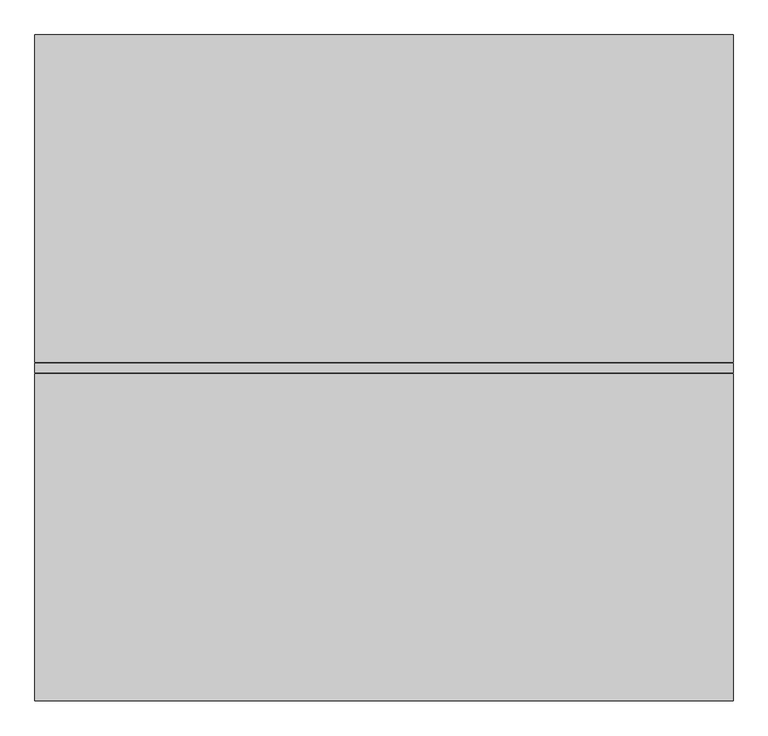
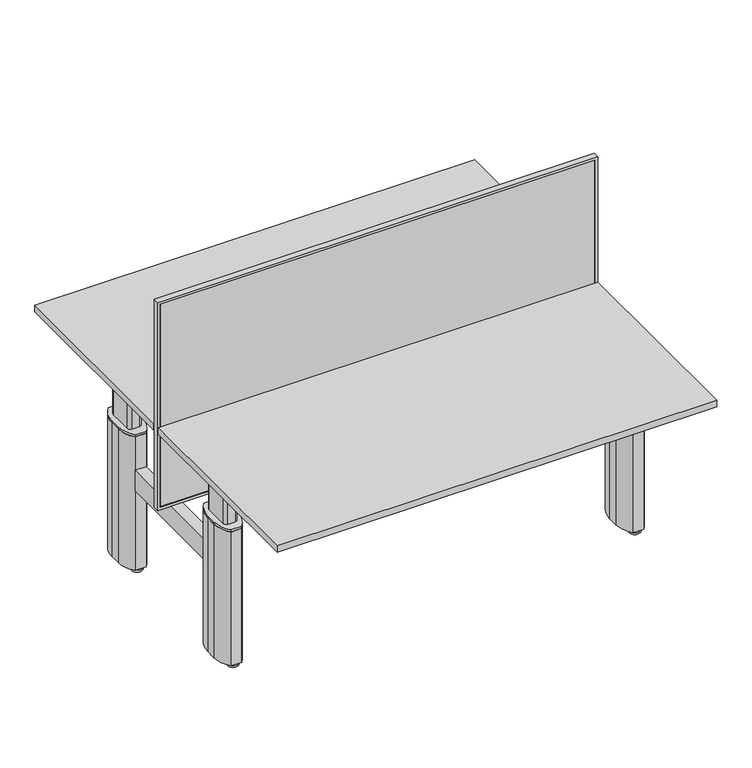
"""IFC4 building model written with IfcOpenShell, lengths in millimetres: furniture geometry."""

from ifc_helpers import new_model, si_unit, point, frame, frame_2d, origin, origin_with_axes, place, context, project, spatial, polyline, circle_curve, trimmed, segment, composite_curve, outline, extrude, source, transform, mapped, element, save


def furniture_1721514f(model_context):
    return source(origin(), model_context, "Body", "SweptSolid", [
        extrude(outline(polyline([(-10.0, -8.0), (-1590.0, -8.0), (-1590.0, 8.0), (-10.0, 8.0), (-10.0, -8.0)])), frame((0.0, 0.0, 410.0), z_axis=(0.0, 0.0, 1.0), x_axis=(1.0, 0.0, 0.0)), (0.0, 0.0, 1.0), 780.0),
        extrude(outline(polyline([(1200.0, 0.0), (1200.0, -1600.0), (400.0, -1600.0), (400.0, 0.0), (1200.0, 0.0)]), holes=[polyline([(1190.0, -10.0), (410.0, -10.0), (410.0, -1590.0), (1190.0, -1590.0), (1190.0, -10.0)])]), frame((0.0, -11.0, 0.0), z_axis=(0.0, 1.0, 0.0), x_axis=(0.0, 0.0, 1.0)), (0.0, 0.0, 1.0), 22.0),
        extrude(outline(composite_curve([segment(trimmed(circle_curve(frame_2d((-1531.0, 365.0)), 11.0), [point((-1520.0, 365.0))], [point((-1542.0, 365.0))], False, "CARTESIAN"), True, "CONTINUOUS"), segment(trimmed(circle_curve(frame_2d((-1531.0, 365.0)), 11.0), [point((-1542.0, 365.0))], [point((-1520.0, 365.0))], False, "CARTESIAN"), True, "CONTINUOUS")], self_intersect=False)), frame((0.0, 0.0, 7.0), z_axis=(0.0, 0.0, 1.0), x_axis=(1.0, 0.0, 0.0)), (0.0, 0.0, 1.0), 7.0),
        extrude(outline(composite_curve([segment(trimmed(circle_curve(frame_2d((-1531.0, 239.0)), 11.0), [point((-1520.0, 239.0))], [point((-1542.0, 239.0))], False, "CARTESIAN"), True, "CONTINUOUS"), segment(trimmed(circle_curve(frame_2d((-1531.0, 239.0)), 11.0), [point((-1542.0, 239.0))], [point((-1520.0, 239.0))], False, "CARTESIAN"), True, "CONTINUOUS")], self_intersect=False)), frame((0.0, 0.0, 7.0), z_axis=(0.0, 0.0, 1.0), x_axis=(1.0, 0.0, 0.0)), (0.0, 0.0, 1.0), 7.0),
        extrude(outline(composite_curve([segment(trimmed(circle_curve(frame_2d((-69.0, 365.0)), 11.0), [point((-58.0, 365.0))], [point((-80.0, 365.0))], False, "CARTESIAN"), True, "CONTINUOUS"), segment(trimmed(circle_curve(frame_2d((-69.0, 365.0)), 11.0), [point((-80.0, 365.0))], [point((-58.0, 365.0))], False, "CARTESIAN"), True, "CONTINUOUS")], self_intersect=False)), frame((0.0, 0.0, 7.0), z_axis=(0.0, 0.0, 1.0), x_axis=(1.0, 0.0, 0.0)), (0.0, 0.0, 1.0), 7.0),
        extrude(outline(composite_curve([segment(trimmed(circle_curve(frame_2d((-69.0, 239.0)), 11.0), [point((-58.0, 239.0))], [point((-80.0, 239.0))], False, "CARTESIAN"), True, "CONTINUOUS"), segment(trimmed(circle_curve(frame_2d((-69.0, 239.0)), 11.0), [point((-80.0, 239.0))], [point((-58.0, 239.0))], False, "CARTESIAN"), True, "CONTINUOUS")], self_intersect=False)), frame((0.0, 0.0, 7.0), z_axis=(0.0, 0.0, 1.0), x_axis=(1.0, 0.0, 0.0)), (0.0, 0.0, 1.0), 7.0),
        extrude(outline(composite_curve([segment(trimmed(circle_curve(frame_2d((-1531.0, -239.0)), 11.0), [point((-1520.0, -239.0))], [point((-1542.0, -239.0))], False, "CARTESIAN"), True, "CONTINUOUS"), segment(trimmed(circle_curve(frame_2d((-1531.0, -239.0)), 11.0), [point((-1542.0, -239.0))], [point((-1520.0, -239.0))], False, "CARTESIAN"), True, "CONTINUOUS")], self_intersect=False)), frame((0.0, 0.0, 7.0), z_axis=(0.0, 0.0, 1.0), x_axis=(1.0, 0.0, 0.0)), (0.0, 0.0, 1.0), 7.0),
        extrude(outline(composite_curve([segment(trimmed(circle_curve(frame_2d((-1531.0, -365.0)), 11.0), [point((-1520.0, -365.0))], [point((-1542.0, -365.0))], False, "CARTESIAN"), True, "CONTINUOUS"), segment(trimmed(circle_curve(frame_2d((-1531.0, -365.0)), 11.0), [point((-1542.0, -365.0))], [point((-1520.0, -365.0))], False, "CARTESIAN"), True, "CONTINUOUS")], self_intersect=False)), frame((0.0, 0.0, 7.0), z_axis=(0.0, 0.0, 1.0), x_axis=(1.0, 0.0, 0.0)), (0.0, 0.0, 1.0), 7.0),
        extrude(outline(composite_curve([segment(trimmed(circle_curve(frame_2d((-69.0, -239.0)), 11.0), [point((-58.0, -239.0))], [point((-80.0, -239.0))], False, "CARTESIAN"), True, "CONTINUOUS"), segment(trimmed(circle_curve(frame_2d((-69.0, -239.0)), 11.0), [point((-80.0, -239.0))], [point((-58.0, -239.0))], False, "CARTESIAN"), True, "CONTINUOUS")], self_intersect=False)), frame((0.0, 0.0, 7.0), z_axis=(0.0, 0.0, 1.0), x_axis=(1.0, 0.0, 0.0)), (0.0, 0.0, 1.0), 7.0),
        extrude(outline(composite_curve([segment(trimmed(circle_curve(frame_2d((-69.0, -365.0)), 11.0), [point((-58.0, -365.0))], [point((-80.0, -365.0))], False, "CARTESIAN"), True, "CONTINUOUS"), segment(trimmed(circle_curve(frame_2d((-69.0, -365.0)), 11.0), [point((-80.0, -365.0))], [point((-58.0, -365.0))], False, "CARTESIAN"), True, "CONTINUOUS")], self_intersect=False)), frame((0.0, 0.0, 7.0), z_axis=(0.0, 0.0, 1.0), x_axis=(1.0, 0.0, 0.0)), (0.0, 0.0, 1.0), 7.0),
        extrude(outline(composite_curve([segment(trimmed(circle_curve(frame_2d((-1531.0, 365.0)), 19.0), [point((-1550.0, 365.0))], [point((-1512.0, 365.0))], False, "CARTESIAN"), True, "CONTINUOUS"), segment(trimmed(circle_curve(frame_2d((-1531.0, 365.0)), 19.0), [point((-1512.0, 365.0))], [point((-1550.0, 365.0))], False, "CARTESIAN"), True, "CONTINUOUS")], self_intersect=False)), origin_with_axes(), (0.0, 0.0, 1.0), 7.0),
        extrude(outline(composite_curve([segment(trimmed(circle_curve(frame_2d((-1531.0, 239.0)), 19.0), [point((-1550.0, 239.0))], [point((-1512.0, 239.0))], False, "CARTESIAN"), True, "CONTINUOUS"), segment(trimmed(circle_curve(frame_2d((-1531.0, 239.0)), 19.0), [point((-1512.0, 239.0))], [point((-1550.0, 239.0))], False, "CARTESIAN"), True, "CONTINUOUS")], self_intersect=False)), origin_with_axes(), (0.0, 0.0, 1.0), 7.0),
        extrude(outline(composite_curve([segment(trimmed(circle_curve(frame_2d((-1531.0, -239.0)), 19.0), [point((-1550.0, -239.0))], [point((-1512.0, -239.0))], False, "CARTESIAN"), True, "CONTINUOUS"), segment(trimmed(circle_curve(frame_2d((-1531.0, -239.0)), 19.0), [point((-1512.0, -239.0))], [point((-1550.0, -239.0))], False, "CARTESIAN"), True, "CONTINUOUS")], self_intersect=False)), origin_with_axes(), (0.0, 0.0, 1.0), 7.0),
        extrude(outline(composite_curve([segment(trimmed(circle_curve(frame_2d((-1531.0, -365.0)), 19.0), [point((-1550.0, -365.0))], [point((-1512.0, -365.0))], False, "CARTESIAN"), True, "CONTINUOUS"), segment(trimmed(circle_curve(frame_2d((-1531.0, -365.0)), 19.0), [point((-1512.0, -365.0))], [point((-1550.0, -365.0))], False, "CARTESIAN"), True, "CONTINUOUS")], self_intersect=False)), origin_with_axes(), (0.0, 0.0, 1.0), 7.0),
        extrude(outline(composite_curve([segment(trimmed(circle_curve(frame_2d((-69.0, -365.0)), 20.0), [point((-89.0, -365.0))], [point((-49.0, -365.0))], False, "CARTESIAN"), True, "CONTINUOUS"), segment(trimmed(circle_curve(frame_2d((-69.0, -365.0)), 20.0), [point((-49.0, -365.0))], [point((-89.0, -365.0))], False, "CARTESIAN"), True, "CONTINUOUS")], self_intersect=False)), origin_with_axes(), (0.0, 0.0, 1.0), 7.0),
        extrude(outline(composite_curve([segment(trimmed(circle_curve(frame_2d((-69.0, -239.0)), 20.0), [point((-89.0, -239.0))], [point((-49.0, -239.0))], False, "CARTESIAN"), True, "CONTINUOUS"), segment(trimmed(circle_curve(frame_2d((-69.0, -239.0)), 20.0), [point((-49.0, -239.0))], [point((-89.0, -239.0))], False, "CARTESIAN"), True, "CONTINUOUS")], self_intersect=False)), origin_with_axes(), (0.0, 0.0, 1.0), 7.0),
        extrude(outline(composite_curve([segment(trimmed(circle_curve(frame_2d((-69.0, 239.0)), 19.0), [point((-88.0, 239.0))], [point((-50.0, 239.0))], False, "CARTESIAN"), True, "CONTINUOUS"), segment(trimmed(circle_curve(frame_2d((-69.0, 239.0)), 19.0), [point((-50.0, 239.0))], [point((-88.0, 239.0))], False, "CARTESIAN"), True, "CONTINUOUS")], self_intersect=False)), origin_with_axes(), (0.0, 0.0, 1.0), 7.0),
        extrude(outline(composite_curve([segment(trimmed(circle_curve(frame_2d((-69.0, 365.0)), 19.0), [point((-88.0, 365.0))], [point((-50.0, 365.0))], False, "CARTESIAN"), True, "CONTINUOUS"), segment(trimmed(circle_curve(frame_2d((-69.0, 365.0)), 19.0), [point((-50.0, 365.0))], [point((-88.0, 365.0))], False, "CARTESIAN"), True, "CONTINUOUS")], self_intersect=False)), origin_with_axes(), (0.0, 0.0, 1.0), 7.0),
        extrude(outline(polyline([(-1511.0, 217.0), (-1511.0, -217.0), (-1551.0, -217.0), (-1551.0, 217.0), (-1511.0, 217.0)])), frame((0.0, 0.0, 320.0), z_axis=(0.0, 0.0, 1.0), x_axis=(1.0, 0.0, 0.0)), (0.0, 0.0, 1.0), 80.0),
        extrude(outline(polyline([(-89.0, 217.0), (-49.0, 217.0), (-49.0, -217.0), (-89.0, -217.0), (-89.0, 217.0)])), frame((0.0, 0.0, 320.0), z_axis=(0.0, 0.0, 1.0), x_axis=(1.0, 0.0, 0.0)), (0.0, 0.0, 1.0), 80.0),
        extrude(outline(composite_curve([segment(trimmed(circle_curve(frame_2d((-1587.0208333, 322.0)), 100.0208333), [point((-1511.0, 387.0))], [point((-1487.0, 322.0))], False, "CARTESIAN"), True, "CONTINUOUS"), segment(polyline([(-1487.0, 322.0), (-1487.0, 282.0)]), True, "CONTINUOUS"), segment(trimmed(circle_curve(frame_2d((-1587.0208333, 282.0)), 100.0208333), [point((-1487.0, 282.0))], [point((-1511.0, 217.0))], False, "CARTESIAN"), True, "CONTINUOUS"), segment(polyline([(-1511.0, 217.0), (-1551.0, 217.0)]), True, "CONTINUOUS"), segment(trimmed(circle_curve(frame_2d((-1474.9791667, 282.0)), 100.0208333), [point((-1551.0, 217.0))], [point((-1575.0, 282.0))], False, "CARTESIAN"), True, "CONTINUOUS"), segment(polyline([(-1575.0, 282.0), (-1575.0, 322.0)]), True, "CONTINUOUS"), segment(trimmed(circle_curve(frame_2d((-1474.9791667, 322.0)), 100.0208333), [point((-1575.0, 322.0))], [point((-1551.0, 387.0))], False, "CARTESIAN"), True, "CONTINUOUS"), segment(polyline([(-1551.0, 387.0), (-1511.0, 387.0)]), True, "CONTINUOUS")], self_intersect=False)), frame((0.0, 0.0, 14.0), z_axis=(0.0, 0.0, 1.0), x_axis=(1.0, 0.0, 0.0)), (0.0, 0.0, 1.0), 514.0),
        extrude(outline(composite_curve([segment(trimmed(circle_curve(frame_2d((-125.0208333, 322.0)), 100.0208333), [point((-49.0, 387.0))], [point((-25.0, 322.0))], False, "CARTESIAN"), True, "CONTINUOUS"), segment(polyline([(-25.0, 322.0), (-25.0, 282.0)]), True, "CONTINUOUS"), segment(trimmed(circle_curve(frame_2d((-125.0208333, 282.0)), 100.0208333), [point((-25.0, 282.0))], [point((-49.0, 217.0))], False, "CARTESIAN"), True, "CONTINUOUS"), segment(polyline([(-49.0, 217.0), (-89.0, 217.0)]), True, "CONTINUOUS"), segment(trimmed(circle_curve(frame_2d((-12.9791667, 282.0)), 100.0208333), [point((-89.0, 217.0))], [point((-113.0, 282.0))], False, "CARTESIAN"), True, "CONTINUOUS"), segment(polyline([(-113.0, 282.0), (-113.0, 322.0)]), True, "CONTINUOUS"), segment(trimmed(circle_curve(frame_2d((-12.9791667, 322.0)), 100.0208333), [point((-113.0, 322.0))], [point((-89.0, 387.0))], False, "CARTESIAN"), True, "CONTINUOUS"), segment(polyline([(-89.0, 387.0), (-49.0, 387.0)]), True, "CONTINUOUS")], self_intersect=False)), frame((0.0, 0.0, 14.0), z_axis=(0.0, 0.0, 1.0), x_axis=(1.0, 0.0, 0.0)), (0.0, 0.0, 1.0), 514.0),
        extrude(outline(composite_curve([segment(trimmed(circle_curve(frame_2d((-125.0208333, -282.0)), 100.0208333), [point((-49.0, -217.0))], [point((-25.0, -282.0))], False, "CARTESIAN"), True, "CONTINUOUS"), segment(polyline([(-25.0, -282.0), (-25.0, -322.0)]), True, "CONTINUOUS"), segment(trimmed(circle_curve(frame_2d((-125.0208333, -322.0)), 100.0208333), [point((-25.0, -322.0))], [point((-49.0, -387.0))], False, "CARTESIAN"), True, "CONTINUOUS"), segment(polyline([(-49.0, -387.0), (-89.0, -387.0)]), True, "CONTINUOUS"), segment(trimmed(circle_curve(frame_2d((-12.9791667, -322.0)), 100.0208333), [point((-89.0, -387.0))], [point((-113.0, -322.0))], False, "CARTESIAN"), True, "CONTINUOUS"), segment(polyline([(-113.0, -322.0), (-113.0, -282.0)]), True, "CONTINUOUS"), segment(trimmed(circle_curve(frame_2d((-12.9791667, -282.0)), 100.0208333), [point((-113.0, -282.0))], [point((-89.0, -217.0))], False, "CARTESIAN"), True, "CONTINUOUS"), segment(polyline([(-89.0, -217.0), (-49.0, -217.0)]), True, "CONTINUOUS")], self_intersect=False)), frame((0.0, 0.0, 14.0), z_axis=(0.0, 0.0, 1.0), x_axis=(1.0, 0.0, 0.0)), (0.0, 0.0, 1.0), 514.0),
        extrude(outline(composite_curve([segment(trimmed(circle_curve(frame_2d((-1587.0208333, -282.0)), 100.0208333), [point((-1511.0, -217.0))], [point((-1487.0, -282.0))], False, "CARTESIAN"), True, "CONTINUOUS"), segment(polyline([(-1487.0, -282.0), (-1487.0, -322.0)]), True, "CONTINUOUS"), segment(trimmed(circle_curve(frame_2d((-1587.0208333, -322.0)), 100.0208333), [point((-1487.0, -322.0))], [point((-1511.0, -387.0))], False, "CARTESIAN"), True, "CONTINUOUS"), segment(polyline([(-1511.0, -387.0), (-1551.0, -387.0)]), True, "CONTINUOUS"), segment(trimmed(circle_curve(frame_2d((-1474.9791667, -322.0)), 100.0208333), [point((-1551.0, -387.0))], [point((-1575.0, -322.0))], False, "CARTESIAN"), True, "CONTINUOUS"), segment(polyline([(-1575.0, -322.0), (-1575.0, -282.0)]), True, "CONTINUOUS"), segment(trimmed(circle_curve(frame_2d((-1474.9791667, -282.0)), 100.0208333), [point((-1575.0, -282.0))], [point((-1551.0, -217.0))], False, "CARTESIAN"), True, "CONTINUOUS"), segment(polyline([(-1551.0, -217.0), (-1511.0, -217.0)]), True, "CONTINUOUS")], self_intersect=False)), frame((0.0, 0.0, 14.0), z_axis=(0.0, 0.0, 1.0), x_axis=(1.0, 0.0, 0.0)), (0.0, 0.0, 1.0), 514.0),
        extrude(outline(composite_curve([segment(trimmed(circle_curve(frame_2d((-1587.0208333, 322.0)), 100.0208333), [point((-1511.0, 387.0))], [point((-1487.0, 322.0))], False, "CARTESIAN"), True, "CONTINUOUS"), segment(polyline([(-1487.0, 322.0), (-1487.0, 282.0)]), True, "CONTINUOUS"), segment(trimmed(circle_curve(frame_2d((-1587.0208333, 282.0)), 100.0208333), [point((-1487.0, 282.0))], [point((-1511.0, 217.0))], False, "CARTESIAN"), True, "CONTINUOUS"), segment(polyline([(-1511.0, 217.0), (-1551.0, 217.0)]), True, "CONTINUOUS"), segment(trimmed(circle_curve(frame_2d((-1474.9791667, 282.0)), 100.0208333), [point((-1551.0, 217.0))], [point((-1575.0, 282.0))], False, "CARTESIAN"), True, "CONTINUOUS"), segment(polyline([(-1575.0, 282.0), (-1575.0, 322.0)]), True, "CONTINUOUS"), segment(trimmed(circle_curve(frame_2d((-1474.9791667, 322.0)), 100.0208333), [point((-1575.0, 322.0))], [point((-1551.0, 387.0))], False, "CARTESIAN"), True, "CONTINUOUS"), segment(polyline([(-1551.0, 387.0), (-1511.0, 387.0)]), True, "CONTINUOUS")], self_intersect=False)), frame((0.0, 0.0, 528.0), z_axis=(0.0, 0.0, 1.0), x_axis=(1.0, 0.0, 0.0)), (0.0, 0.0, 1.0), 8.5),
        extrude(outline(composite_curve([segment(trimmed(circle_curve(frame_2d((-125.0208333, 322.0)), 100.0208333), [point((-49.0, 387.0))], [point((-25.0, 322.0))], False, "CARTESIAN"), True, "CONTINUOUS"), segment(polyline([(-25.0, 322.0), (-25.0, 282.0)]), True, "CONTINUOUS"), segment(trimmed(circle_curve(frame_2d((-125.0208333, 282.0)), 100.0208333), [point((-25.0, 282.0))], [point((-49.0, 217.0))], False, "CARTESIAN"), True, "CONTINUOUS"), segment(polyline([(-49.0, 217.0), (-89.0, 217.0)]), True, "CONTINUOUS"), segment(trimmed(circle_curve(frame_2d((-12.9791667, 282.0)), 100.0208333), [point((-89.0, 217.0))], [point((-113.0, 282.0))], False, "CARTESIAN"), True, "CONTINUOUS"), segment(polyline([(-113.0, 282.0), (-113.0, 322.0)]), True, "CONTINUOUS"), segment(trimmed(circle_curve(frame_2d((-12.9791667, 322.0)), 100.0208333), [point((-113.0, 322.0))], [point((-89.0, 387.0))], False, "CARTESIAN"), True, "CONTINUOUS"), segment(polyline([(-89.0, 387.0), (-49.0, 387.0)]), True, "CONTINUOUS")], self_intersect=False)), frame((0.0, 0.0, 528.0), z_axis=(0.0, 0.0, 1.0), x_axis=(1.0, 0.0, 0.0)), (0.0, 0.0, 1.0), 8.5),
        extrude(outline(composite_curve([segment(trimmed(circle_curve(frame_2d((-1587.0208333, -282.0)), 100.0208333), [point((-1511.0, -217.0))], [point((-1487.0, -282.0))], False, "CARTESIAN"), True, "CONTINUOUS"), segment(polyline([(-1487.0, -282.0), (-1487.0, -322.0)]), True, "CONTINUOUS"), segment(trimmed(circle_curve(frame_2d((-1587.0208333, -322.0)), 100.0208333), [point((-1487.0, -322.0))], [point((-1511.0, -387.0))], False, "CARTESIAN"), True, "CONTINUOUS"), segment(polyline([(-1511.0, -387.0), (-1551.0, -387.0)]), True, "CONTINUOUS"), segment(trimmed(circle_curve(frame_2d((-1474.9791667, -322.0)), 100.0208333), [point((-1551.0, -387.0))], [point((-1575.0, -322.0))], False, "CARTESIAN"), True, "CONTINUOUS"), segment(polyline([(-1575.0, -322.0), (-1575.0, -282.0)]), True, "CONTINUOUS"), segment(trimmed(circle_curve(frame_2d((-1474.9791667, -282.0)), 100.0208333), [point((-1575.0, -282.0))], [point((-1551.0, -217.0))], False, "CARTESIAN"), True, "CONTINUOUS"), segment(polyline([(-1551.0, -217.0), (-1511.0, -217.0)]), True, "CONTINUOUS")], self_intersect=False)), frame((0.0, 0.0, 528.0), z_axis=(0.0, 0.0, 1.0), x_axis=(1.0, 0.0, 0.0)), (0.0, 0.0, 1.0), 8.5),
        extrude(outline(composite_curve([segment(trimmed(circle_curve(frame_2d((-125.0208333, -282.0)), 100.0208333), [point((-49.0, -217.0))], [point((-25.0, -282.0))], False, "CARTESIAN"), True, "CONTINUOUS"), segment(polyline([(-25.0, -282.0), (-25.0, -322.0)]), True, "CONTINUOUS"), segment(trimmed(circle_curve(frame_2d((-125.0208333, -322.0)), 100.0208333), [point((-25.0, -322.0))], [point((-49.0, -387.0))], False, "CARTESIAN"), True, "CONTINUOUS"), segment(polyline([(-49.0, -387.0), (-89.0, -387.0)]), True, "CONTINUOUS"), segment(trimmed(circle_curve(frame_2d((-12.9791667, -322.0)), 100.0208333), [point((-89.0, -387.0))], [point((-113.0, -322.0))], False, "CARTESIAN"), True, "CONTINUOUS"), segment(polyline([(-113.0, -322.0), (-113.0, -282.0)]), True, "CONTINUOUS"), segment(trimmed(circle_curve(frame_2d((-12.9791667, -282.0)), 100.0208333), [point((-113.0, -282.0))], [point((-89.0, -217.0))], False, "CARTESIAN"), True, "CONTINUOUS"), segment(polyline([(-89.0, -217.0), (-49.0, -217.0)]), True, "CONTINUOUS")], self_intersect=False)), frame((0.0, 0.0, 528.0), z_axis=(0.0, 0.0, 1.0), x_axis=(1.0, 0.0, 0.0)), (0.0, 0.0, 1.0), 8.5),
        extrude(outline(composite_curve([segment(polyline([(-56.0, 247.5), (-82.0, 247.5)]), True, "CONTINUOUS"), segment(trimmed(circle_curve(frame_2d((-82.0, 259.5)), 12.0), [point((-82.0, 247.5))], [point((-94.0, 259.5))], False, "CARTESIAN"), True, "CONTINUOUS"), segment(polyline([(-94.0, 259.5), (-94.0, 344.5)]), True, "CONTINUOUS"), segment(trimmed(circle_curve(frame_2d((-82.0, 344.5)), 12.0), [point((-94.0, 344.5))], [point((-82.0, 356.5))], False, "CARTESIAN"), True, "CONTINUOUS"), segment(polyline([(-82.0, 356.5), (-56.0, 356.5)]), True, "CONTINUOUS"), segment(trimmed(circle_curve(frame_2d((-56.0, 344.5)), 12.0), [point((-56.0, 356.5))], [point((-44.0, 344.5))], False, "CARTESIAN"), True, "CONTINUOUS"), segment(polyline([(-44.0, 344.5), (-44.0, 259.5)]), True, "CONTINUOUS"), segment(trimmed(circle_curve(frame_2d((-56.0, 259.5)), 12.0), [point((-44.0, 259.5))], [point((-56.0, 247.5))], False, "CARTESIAN"), True, "CONTINUOUS")], self_intersect=False)), frame((0.0, 0.0, 536.5), z_axis=(0.0, 0.0, 1.0), x_axis=(1.0, 0.0, 0.0)), (0.0, 0.0, 1.0), 155.5),
        extrude(outline(composite_curve([segment(polyline([(-1545.7644632, -247.5), (-1516.2355368, -247.5)]), True, "CONTINUOUS"), segment(trimmed(circle_curve(frame_2d((-1516.2355368, -257.7355368)), 10.2355368), [point((-1516.2355368, -247.5))], [point((-1506.0, -257.7355368))], False, "CARTESIAN"), True, "CONTINUOUS"), segment(polyline([(-1506.0, -257.7355368), (-1506.0, -344.5)]), True, "CONTINUOUS"), segment(trimmed(circle_curve(frame_2d((-1518.0, -344.5)), 12.0), [point((-1506.0, -344.5))], [point((-1518.0, -356.5))], False, "CARTESIAN"), True, "CONTINUOUS"), segment(polyline([(-1518.0, -356.5), (-1544.0, -356.5)]), True, "CONTINUOUS"), segment(trimmed(circle_curve(frame_2d((-1544.0, -344.5)), 12.0), [point((-1544.0, -356.5))], [point((-1556.0, -344.5))], False, "CARTESIAN"), True, "CONTINUOUS"), segment(polyline([(-1556.0, -344.5), (-1556.0, -257.7355368)]), True, "CONTINUOUS"), segment(trimmed(circle_curve(frame_2d((-1545.7644632, -257.7355368)), 10.2355368), [point((-1556.0, -257.7355368))], [point((-1545.7644632, -247.5))], False, "CARTESIAN"), True, "CONTINUOUS")], self_intersect=False)), frame((0.0, 0.0, 536.5), z_axis=(0.0, 0.0, 1.0), x_axis=(1.0, 0.0, 0.0)), (0.0, 0.0, 1.0), 155.5),
        extrude(outline(composite_curve([segment(trimmed(circle_curve(frame_2d((-1518.0, 344.5)), 12.0), [point((-1518.0, 356.5))], [point((-1506.0, 344.5))], False, "CARTESIAN"), True, "CONTINUOUS"), segment(polyline([(-1506.0, 344.5), (-1506.0, 259.5)]), True, "CONTINUOUS"), segment(trimmed(circle_curve(frame_2d((-1518.0, 259.5)), 12.0), [point((-1506.0, 259.5))], [point((-1518.0, 247.5))], False, "CARTESIAN"), True, "CONTINUOUS"), segment(polyline([(-1518.0, 247.5), (-1544.0, 247.5)]), True, "CONTINUOUS"), segment(trimmed(circle_curve(frame_2d((-1544.0, 259.5)), 12.0), [point((-1544.0, 247.5))], [point((-1556.0, 259.5))], False, "CARTESIAN"), True, "CONTINUOUS"), segment(polyline([(-1556.0, 259.5), (-1556.0, 344.5)]), True, "CONTINUOUS"), segment(trimmed(circle_curve(frame_2d((-1544.0, 344.5)), 12.0), [point((-1556.0, 344.5))], [point((-1544.0, 356.5))], False, "CARTESIAN"), True, "CONTINUOUS"), segment(polyline([(-1544.0, 356.5), (-1518.0, 356.5)]), True, "CONTINUOUS")], self_intersect=False)), frame((0.0, 0.0, 536.5), z_axis=(0.0, 0.0, 1.0), x_axis=(1.0, 0.0, 0.0)), (0.0, 0.0, 1.0), 155.5),
        extrude(outline(composite_curve([segment(trimmed(circle_curve(frame_2d((-56.0, -259.5)), 12.0), [point((-56.0, -247.5))], [point((-44.0, -259.5))], False, "CARTESIAN"), True, "CONTINUOUS"), segment(polyline([(-44.0, -259.5), (-44.0, -344.5)]), True, "CONTINUOUS"), segment(trimmed(circle_curve(frame_2d((-56.0, -344.5)), 12.0), [point((-44.0, -344.5))], [point((-56.0, -356.5))], False, "CARTESIAN"), True, "CONTINUOUS"), segment(polyline([(-56.0, -356.5), (-82.0, -356.5)]), True, "CONTINUOUS"), segment(trimmed(circle_curve(frame_2d((-82.0, -344.5)), 12.0), [point((-82.0, -356.5))], [point((-94.0, -344.5))], False, "CARTESIAN"), True, "CONTINUOUS"), segment(polyline([(-94.0, -344.5), (-94.0, -259.5)]), True, "CONTINUOUS"), segment(trimmed(circle_curve(frame_2d((-82.0, -259.5)), 12.0), [point((-94.0, -259.5))], [point((-82.0, -247.5))], False, "CARTESIAN"), True, "CONTINUOUS"), segment(polyline([(-82.0, -247.5), (-56.0, -247.5)]), True, "CONTINUOUS")], self_intersect=False)), frame((0.0, 0.0, 536.5), z_axis=(0.0, 0.0, 1.0), x_axis=(1.0, 0.0, 0.0)), (0.0, 0.0, 1.0), 155.5),
        extrude(outline(polyline([(-118.0, 539.0), (-118.0, 501.0), (-1482.0, 501.0), (-1482.0, 539.0), (-118.0, 539.0)])), frame((0.0, 0.0, 651.0), z_axis=(0.0, 0.0, 1.0), x_axis=(1.0, 0.0, 0.0)), (0.0, 0.0, 1.0), 44.0),
        extrude(outline(polyline([(-118.0, 283.0), (-118.0, 245.0), (-1482.0, 245.0), (-1482.0, 283.0), (-118.0, 283.0)])), frame((0.0, 0.0, 651.0), z_axis=(0.0, 0.0, 1.0), x_axis=(1.0, 0.0, 0.0)), (0.0, 0.0, 1.0), 44.0),
        extrude(outline(polyline([(-118.0, -539.0), (-1482.0, -539.0), (-1482.0, -501.0), (-118.0, -501.0), (-118.0, -539.0)])), frame((0.0, 0.0, 651.0), z_axis=(0.0, 0.0, 1.0), x_axis=(1.0, 0.0, 0.0)), (0.0, 0.0, 1.0), 44.0),
        extrude(outline(polyline([(-118.0, -283.0), (-1482.0, -283.0), (-1482.0, -245.0), (-118.0, -245.0), (-118.0, -283.0)])), frame((0.0, 0.0, 651.0), z_axis=(0.0, 0.0, 1.0), x_axis=(1.0, 0.0, 0.0)), (0.0, 0.0, 1.0), 44.0),
        extrude(outline(polyline([(695.0, -1580.0), (668.0, -1580.0), (668.0, -1577.0), (692.0, -1577.0), (692.0, -1485.0), (651.0, -1485.0), (651.0, -1482.0), (695.0, -1482.0), (695.0, -1580.0)])), frame((0.0, 172.0, 0.0), z_axis=(0.0, 1.0, 0.0), x_axis=(0.0, 0.0, 1.0)), (0.0, 0.0, 1.0), 466.0),
        extrude(outline(polyline([(695.0, -20.0), (695.0, -118.0), (651.0, -118.0), (651.0, -115.0), (692.0, -115.0), (692.0, -23.0), (668.0, -23.0), (668.0, -20.0), (695.0, -20.0)])), frame((0.0, 172.0, 0.0), z_axis=(0.0, 1.0, 0.0), x_axis=(0.0, 0.0, 1.0)), (0.0, 0.0, 1.0), 466.0),
        extrude(outline(polyline([(695.0, -1580.0), (668.0, -1580.0), (668.0, -1577.0), (692.0, -1577.0), (692.0, -1485.0), (651.0, -1485.0), (651.0, -1482.0), (695.0, -1482.0), (695.0, -1580.0)])), frame((0.0, -638.0, 0.0), z_axis=(0.0, 1.0, 0.0), x_axis=(0.0, 0.0, 1.0)), (0.0, 0.0, 1.0), 466.0),
        extrude(outline(polyline([(695.0, -20.0), (695.0, -118.0), (651.0, -118.0), (651.0, -115.0), (692.0, -115.0), (692.0, -23.0), (668.0, -23.0), (668.0, -20.0), (695.0, -20.0)])), frame((0.0, -638.0, 0.0), z_axis=(0.0, 1.0, 0.0), x_axis=(0.0, 0.0, 1.0)), (0.0, 0.0, 1.0), 466.0),
        extrude(outline(polyline([(0.0, 763.0), (0.0, 13.0), (-1600.0, 13.0), (-1600.0, 763.0), (0.0, 763.0)])), frame((0.0, 0.0, 695.0), z_axis=(0.0, 0.0, 1.0), x_axis=(1.0, 0.0, 0.0)), (0.0, 0.0, 1.0), 25.0),
        extrude(outline(polyline([(0.0, -13.0), (0.0, -763.0), (-1600.0, -763.0), (-1600.0, -13.0), (0.0, -13.0)])), frame((0.0, 0.0, 695.0), z_axis=(0.0, 0.0, 1.0), x_axis=(1.0, 0.0, 0.0)), (0.0, 0.0, 1.0), 25.0),
    ])


if __name__ == "__main__":
    model = new_model("IFC4")
    model_context = context("Model", 3, world=origin())
    ifc_project = project(units=[si_unit("LENGTHUNIT", "METRE", prefix="MILLI")], contexts=[model_context])
    site = spatial("IfcSite", under=ifc_project)
    building = spatial("IfcBuilding", under=site)
    placement = place(None, origin())
    furniture_shape = furniture_1721514f(model_context)
    element("IfcFurniture", 1, at=placement, inside=building, context=model_context, shape_type="MappedRepresentation", body=[
        mapped(furniture_shape, transform((0.0, 0.0, 0.0), x_axis=(1.0, 0.0, 0.0), y_axis=(0.0, 1.0, 0.0), z_axis=(0.0, 0.0, 1.0))),
    ])
    save(model, "model.ifc")
